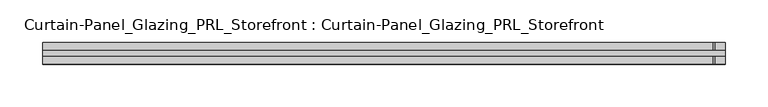
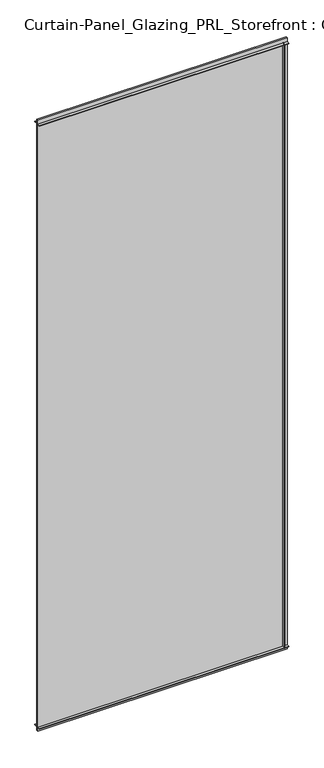
"""IFC4 building model written with IfcOpenShell, lengths in millimetres: plate geometry, Curtain-Panel_Glazing_PRL_Storefront : Curtain-Panel_Glazing_PRL_Storefront."""

from ifc_helpers import new_model, si_unit, frame, origin, origin_with_axes, place, context, project, spatial, polyline, outline, extrude, source, transform, mapped, element, save


def curtain_panel_glazing_prl_storefront_curtain_panel_glazing_cc78a137(model_context):
    return source(origin(), model_context, "Body", "SweptSolid", [
        extrude(outline(polyline([(387.35, 12.7), (387.35, 3.175), (385.7625, 3.175), (385.7625, 12.7), (387.35, 12.7)])), frame((0.0, 0.0, 12.7), z_axis=(0.0, 0.0, 1.0), x_axis=(1.0, 0.0, 0.0)), (0.0, 0.0, 1.0), 2047.08125),
        extrude(outline(polyline([(387.35, -12.7), (385.7625, -12.7), (385.7625, -3.175), (387.35, -3.175), (387.35, -12.7)])), frame((0.0, 0.0, 12.7), z_axis=(0.0, 0.0, 1.0), x_axis=(1.0, 0.0, 0.0)), (0.0, 0.0, 1.0), 2047.08125),
        extrude(outline(polyline([(400.05, -3.175), (-400.05, -3.175), (-400.05, 3.175), (400.05, 3.175), (400.05, -3.175)])), origin_with_axes(), (0.0, 0.0, 1.0), 2072.48125),
        extrude(outline(polyline([(-400.05, 12.7), (400.05, 12.7), (400.05, 3.175), (-400.05, 3.175), (-400.05, 12.7)])), frame((0.0, 0.0, 2058.19375), z_axis=(0.0, 0.0, 1.0), x_axis=(1.0, 0.0, 0.0)), (0.0, 0.0, 1.0), 1.5875),
        extrude(outline(polyline([(-400.05, -12.7), (-400.05, -3.175), (400.05, -3.175), (400.05, -12.7), (-400.05, -12.7)])), frame((0.0, 0.0, 2058.19375), z_axis=(0.0, 0.0, 1.0), x_axis=(1.0, 0.0, 0.0)), (0.0, 0.0, 1.0), 1.5875),
        extrude(outline(polyline([(-400.05, 12.7), (400.05, 12.7), (400.05, 3.175), (-400.05, 3.175), (-400.05, 12.7)])), frame((0.0, 0.0, 12.7), z_axis=(0.0, 0.0, 1.0), x_axis=(1.0, 0.0, 0.0)), (0.0, 0.0, 1.0), 1.5875),
        extrude(outline(polyline([(-400.05, -12.7), (-400.05, -3.175), (400.05, -3.175), (400.05, -12.7), (-400.05, -12.7)])), frame((0.0, 0.0, 12.7), z_axis=(0.0, 0.0, 1.0), x_axis=(1.0, 0.0, 0.0)), (0.0, 0.0, 1.0), 1.5875),
    ])


if __name__ == "__main__":
    model = new_model("IFC4")
    model_context = context("Model", 3, world=origin())
    ifc_project = project(units=[si_unit("LENGTHUNIT", "METRE", prefix="MILLI")], contexts=[model_context])
    site = spatial("IfcSite", under=ifc_project)
    building = spatial("IfcBuilding", under=site)
    placement = place(None, origin())
    curtain_panel_glazing_prl_storefront_curtain_panel_glazing_shape = curtain_panel_glazing_prl_storefront_curtain_panel_glazing_cc78a137(model_context)
    element("IfcPlate", 1, ObjectType="Curtain-Panel_Glazing_PRL_Storefront : Curtain-Panel_Glazing_PRL_Storefront", at=placement, inside=building, context=model_context, shape_type="MappedRepresentation", body=[
        mapped(curtain_panel_glazing_prl_storefront_curtain_panel_glazing_shape, transform((0.0, 0.0, 0.0), x_axis=(1.0, 0.0, 0.0), y_axis=(0.0, 1.0, 0.0), z_axis=(0.0, 0.0, 1.0))),
    ])
    save(model, "model.ifc")
